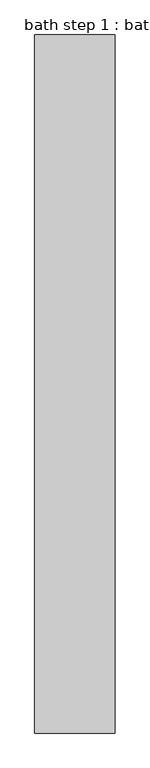
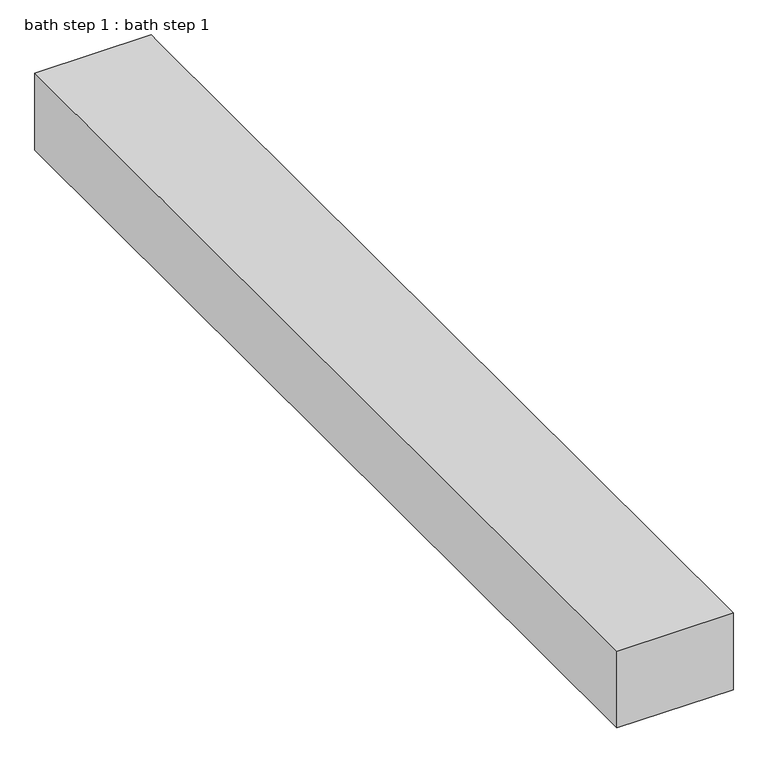
"""IFC4 building model written with IfcOpenShell, lengths in millimetres: proxy geometry, bath step 1 : bath step 1."""

from ifc_helpers import new_model, si_unit, frame, origin, place, context, project, spatial, polyline, outline, extrude, source, transform, mapped, element, save


def bath_step_1_bath_step_1_f01d4594(model_context):
    return source(origin(), model_context, "Body", "SweptSolid", [
        extrude(outline(polyline([(-7340.8824183, 8028.2251285), (-7340.8824183, 10232.7557945), (-7086.862097, 10232.7557945), (-7086.862097, 10207.3557945), (-7086.862097, 8028.2251285), (-7340.8824183, 8028.2251285)])), frame((0.0, 0.0, 3048.0), z_axis=(0.0, 0.0, 1.0), x_axis=(1.0, 0.0, 0.0)), (0.0, 0.0, 1.0), 177.8),
    ])


if __name__ == "__main__":
    model = new_model("IFC4")
    model_context = context("Model", 3, world=origin())
    ifc_project = project(units=[si_unit("LENGTHUNIT", "METRE", prefix="MILLI")], contexts=[model_context])
    site = spatial("IfcSite", under=ifc_project)
    building = spatial("IfcBuilding", under=site)
    placement = place(None, origin())
    bath_step_1_bath_step_1_shape = bath_step_1_bath_step_1_f01d4594(model_context)
    element("IfcBuildingElementProxy", 1, Name="bath step 1 : bath step 1", ObjectType="bath step 1 : bath step 1", at=placement, inside=building, context=model_context, shape_type="MappedRepresentation", body=[
        mapped(bath_step_1_bath_step_1_shape, transform((0.0, 0.0, 0.0), x_axis=(1.0, 0.0, 0.0), y_axis=(0.0, 1.0, 0.0), z_axis=(0.0, 0.0, 1.0))),
    ])
    save(model, "model.ifc")
